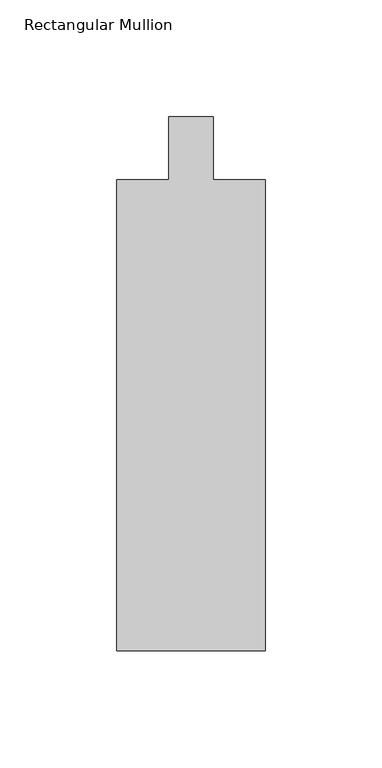
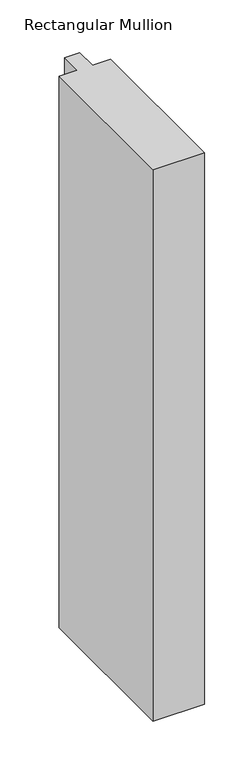
"""IFC4 building model written with IfcOpenShell, lengths in millimetres: member geometry, Rectangular Mullion."""

import ifcopenshell
import ifcopenshell.guid

model = None  # the IFC model being written
_history = None  # IfcOwnerHistory: only IFC2X3 demands one
_inside = {}  # id of a spatial element -> (the spatial element, [elements in it])
_under = {}  # id of a project, library or spatial element -> (it, [spatial elements below it])
_declared = {}  # id of a project -> (the project, [libraries it declares])
_typed = {}  # id of a type object -> (the type object, [elements of that type])
_made_of = {}  # id of a material, layer set ... -> (it, [elements and type objects made of it])


def new_model(schema):
    """Start an empty IFC model of exactly this schema.

    Asked for "IFC4X3", IfcOpenShell would pick the latest addendum, in which some entities
    have other attributes; the version numbers below select the first issue.
    IFC2X3 requires an IfcOwnerHistory on every rooted entity: one is made here for all.
    """
    global model, _history
    if schema == "IFC4X3":
        model = ifcopenshell.file(schema_version=(4, 3, 0, 0))
    else:
        model = ifcopenshell.file(schema=schema)
    _inside.clear()
    _under.clear()
    _declared.clear()
    _typed.clear()
    _made_of.clear()
    _history = None
    if model.schema == "IFC2X3":
        org = make("IfcOrganization", Name="unknown")
        user = make(
            "IfcPersonAndOrganization",
            ThePerson=make("IfcPerson", FamilyName="unknown"),
            TheOrganization=org,
        )
        app = make(
            "IfcApplication",
            ApplicationDeveloper=org,
            Version="unknown",
            ApplicationFullName="unknown",
            ApplicationIdentifier="unknown",
        )
        _history = make(
            "IfcOwnerHistory",
            OwningUser=user,
            OwningApplication=app,
            ChangeAction="ADDED",
            CreationDate=0,
        )
    return model


def make(cls, **values):
    """One entity of the class cls with the attributes given. An attribute that is None is left unset."""
    return model.create_entity(
        cls, **{name: value for name, value in values.items() if value is not None}
    )


def rooted(cls, **values):
    """An entity with a GlobalId (a new one), such as an element, a storey or a relation."""
    return make(cls, GlobalId=ifcopenshell.guid.new(), OwnerHistory=_history, **values)


def si_unit(unit_type, name, prefix=None):
    """IfcSIUnit, for example si_unit("LENGTHUNIT", "METRE", prefix="MILLI")."""
    return make("IfcSIUnit", UnitType=unit_type, Prefix=prefix, Name=name)


def assignment(units):
    """IfcUnitAssignment: the units of a project."""
    return None if units is None else make("IfcUnitAssignment", Units=units)


def point(xyz):
    """IfcCartesianPoint."""
    return None if xyz is None else make("IfcCartesianPoint", Coordinates=xyz)


def direction(xyz):
    """IfcDirection."""
    return None if xyz is None else make("IfcDirection", DirectionRatios=xyz)


def frame(location, z_axis=None, x_axis=None):
    """IfcAxis2Placement3D, a coordinate frame: its origin and axes. An axis left out is left unset."""
    return make(
        "IfcAxis2Placement3D",
        Location=point(location),
        Axis=direction(z_axis),
        RefDirection=direction(x_axis),
    )


def origin():
    """The frame at (0, 0, 0) with its axes left unset."""
    return frame((0.0, 0.0, 0.0))


def place(relative_to, where):
    """IfcLocalPlacement: puts the frame where relative to a parent placement (None: the world)."""
    return make(
        "IfcLocalPlacement", PlacementRelTo=relative_to, RelativePlacement=where
    )


def context(
    kind, dimensions, precision=None, world=None, true_north=None, identifier=None
):
    """IfcGeometricRepresentationContext, for example the 3D "Model" context."""
    return make(
        "IfcGeometricRepresentationContext",
        ContextIdentifier=identifier,
        ContextType=kind,
        CoordinateSpaceDimension=dimensions,
        Precision=precision,
        WorldCoordinateSystem=world,
        TrueNorth=true_north,
    )


def project(units=None, contexts=None):
    """IfcProject with its units and contexts."""
    return rooted(
        "IfcProject",
        Name="project",
        RepresentationContexts=contexts,
        UnitsInContext=assignment(units),
    )


def spatial(cls, under=None, at=None, **own):
    """A site, building, storey or space (cls), placed at a placement, below another one or the project."""
    s = rooted(cls, ObjectPlacement=at, **own)
    if under is not None:
        _under.setdefault(under.id(), (under, []))[1].append(s)
    return s


def polyline(points):
    """IfcPolyline through the points."""
    return make("IfcPolyline", Points=[point(p) for p in points])


def outline(outer, holes=None, kind="AREA"):
    """IfcArbitraryClosedProfileDef: a profile drawn as a closed curve; with holes, ...WithVoids."""
    if holes is None:
        return make("IfcArbitraryClosedProfileDef", ProfileType=kind, OuterCurve=outer)
    return make(
        "IfcArbitraryProfileDefWithVoids",
        ProfileType=kind,
        OuterCurve=outer,
        InnerCurves=holes,
    )


def extrude(swept, where, along, depth):
    """IfcExtrudedAreaSolid: the profile swept, set in the frame where, extruded along a direction by depth."""
    return make(
        "IfcExtrudedAreaSolid",
        SweptArea=swept,
        Position=where,
        ExtrudedDirection=direction(along),
        Depth=depth,
    )


def shape(context_of_items, identifier, shape_type, items):
    """IfcShapeRepresentation: the items that make up one representation, for example the "Body"."""
    return make(
        "IfcShapeRepresentation",
        ContextOfItems=context_of_items,
        RepresentationIdentifier=identifier,
        RepresentationType=shape_type,
        Items=items,
    )


def source(mapping_origin, context_of_items, identifier, shape_type, items):
    """IfcRepresentationMap: a shape defined once, which mapped items show again and again."""
    return make(
        "IfcRepresentationMap",
        MappingOrigin=mapping_origin,
        MappedRepresentation=shape(context_of_items, identifier, shape_type, items),
    )


def transform(
    local_origin,
    x_axis=None,
    y_axis=None,
    z_axis=None,
    scale=None,
    scale2=None,
    scale3=None,
    uniform=True,
):
    """IfcCartesianTransformationOperator3D, or its non-uniform kind. x_axis, y_axis, z_axis: its Axis1, 2, 3."""
    if uniform:
        return make(
            "IfcCartesianTransformationOperator3D",
            Axis1=direction(x_axis),
            Axis2=direction(y_axis),
            LocalOrigin=point(local_origin),
            Scale=scale,
            Axis3=direction(z_axis),
        )
    return make(
        "IfcCartesianTransformationOperator3DnonUniform",
        Axis1=direction(x_axis),
        Axis2=direction(y_axis),
        LocalOrigin=point(local_origin),
        Scale=scale,
        Axis3=direction(z_axis),
        Scale2=scale2,
        Scale3=scale3,
    )


def mapped(mapping_source, mapping_target):
    """IfcMappedItem: shows the shape of a source again, moved by a transform."""
    return make(
        "IfcMappedItem", MappingSource=mapping_source, MappingTarget=mapping_target
    )


def made_of(thing, what):
    """Note that an element or type object is made of a material, layer set ...; save() writes the relation."""
    if what is not None:
        _made_of.setdefault(what.id(), (what, []))[1].append(thing)
    return thing


def element(
    cls,
    number,
    at=None,
    inside=None,
    cuts=None,
    type_object=None,
    material=None,
    context=None,
    identifier="Body",
    shape_type=None,
    held_by="IfcProductDefinitionShape",
    body=None,
    shapes=None,
    **own,
):
    """One element of the class cls, such as IfcWall. Its Tag is "e" and its number.

    at: its placement. inside: the storey or other place that contains it. cuts: it is an
    opening in that element (IfcRelVoidsElement). A single representation is given by context,
    identifier, shape_type and body (its items); several are given by shapes. held_by: the class
    of the entity that holds the representations. save() writes the other relations.
    """
    e = rooted(cls, Tag="e%d" % number, ObjectPlacement=at, **own)
    if body is not None:
        shapes = [shape(context, identifier, shape_type, body)]
    if shapes is not None:
        e.Representation = make(held_by, Representations=shapes)
    if inside is not None:
        _inside.setdefault(inside.id(), (inside, []))[1].append(e)
    if cuts is not None:
        rooted(
            "IfcRelVoidsElement", RelatingBuildingElement=cuts, RelatedOpeningElement=e
        )
    if type_object is not None:
        _typed.setdefault(type_object.id(), (type_object, []))[1].append(e)
    return made_of(e, material)


def aggregate(whole, parts):
    """IfcRelAggregates: a whole, such as a stair, and the parts it consists of."""
    return rooted("IfcRelAggregates", RelatingObject=whole, RelatedObjects=parts)


def save(model, path):
    """Write the relations noted so far, then the file.

    IfcRelAggregates (storeys below a building ...), IfcRelContainedInSpatialStructure (elements
    in a storey), IfcRelDefinesByType, IfcRelAssociatesMaterial and IfcRelDeclares: one each for
    every whole, place, type object, material and project.
    """
    for whole, parts in _under.values():
        aggregate(whole, parts)
    for where, things in _inside.values():
        rooted(
            "IfcRelContainedInSpatialStructure",
            RelatedElements=things,
            RelatingStructure=where,
        )
    for kind, things in _typed.values():
        rooted("IfcRelDefinesByType", RelatedObjects=things, RelatingType=kind)
    for what, things in _made_of.values():
        rooted("IfcRelAssociatesMaterial", RelatedObjects=things, RelatingMaterial=what)
    for by, libraries in _declared.values():
        rooted("IfcRelDeclares", RelatingContext=by, RelatedDefinitions=libraries)
    model.write(path)


def rectangular_mullion_a5d22d6a(model_context):
    return source(origin(), model_context, "Body", "SweptSolid", [
        extrude(outline(polyline([(31.75, -228.6), (-31.75, -228.6), (-31.75, -26.9875), (-9.525, -26.9875), (-9.525, 0.0), (9.525, 0.0), (9.525, -26.9875), (31.75, -26.9875), (31.75, -228.6)])), frame((0.0, 0.0, -722.1851162), z_axis=(0.0, 0.0, 1.0), x_axis=(1.0, 0.0, 0.0)), (0.0, 0.0, 1.0), 722.1851162),
    ])


if __name__ == "__main__":
    model = new_model("IFC4")
    model_context = context("Model", 3, world=origin())
    ifc_project = project(units=[si_unit("LENGTHUNIT", "METRE", prefix="MILLI")], contexts=[model_context])
    site = spatial("IfcSite", under=ifc_project)
    building = spatial("IfcBuilding", under=site)
    placement = place(None, origin())
    rectangular_mullion_shape = rectangular_mullion_a5d22d6a(model_context)
    element("IfcMember", 1, ObjectType="Rectangular Mullion", at=placement, inside=building, context=model_context, shape_type="MappedRepresentation", body=[
        mapped(rectangular_mullion_shape, transform((0.0, 0.0, 0.0), x_axis=(1.0, 0.0, 0.0), y_axis=(0.0, 1.0, 0.0), z_axis=(0.0, 0.0, 1.0))),
    ])
    save(model, "model.ifc")
